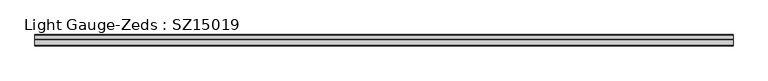
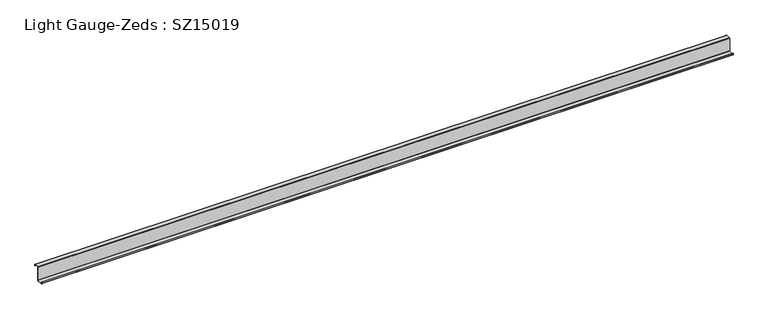
"""IFC4 building model written with IfcOpenShell, lengths in millimetres: beam geometry, Light Gauge-Zeds : SZ15019."""

from ifc_helpers import new_model, si_unit, point, frame, frame_2d, origin, place, context, project, spatial, polyline, circle_curve, trimmed, segment, composite_curve, outline, extrude, source, transform, mapped, element, save


def light_gauge_zeds_sz15019_af22bd8c(model_context):
    return source(origin(), model_context, "Body", "SweptSolid", [
        extrude(outline(composite_curve([segment(trimmed(circle_curve(frame_2d((-3.9, -72.1)), 3.9), [point((0.0, -72.1))], [point((-3.9, -76.0))], False, "CARTESIAN"), True, "CONTINUOUS"), segment(polyline([(-3.9, -76.0), (-63.6, -76.0)]), True, "CONTINUOUS"), segment(trimmed(circle_curve(frame_2d((-63.6, -72.1)), 3.9), [point((-63.6, -76.0))], [point((-67.5, -72.1))], False, "CARTESIAN"), True, "CONTINUOUS"), segment(polyline([(-67.5, -72.1), (-67.5, -57.0), (-65.6, -57.0), (-65.6, -72.1)]), True, "CONTINUOUS"), segment(trimmed(circle_curve(frame_2d((-63.6, -72.1)), 2.0), [point((-65.6, -72.1))], [point((-63.6, -74.1))], True, "CARTESIAN"), True, "CONTINUOUS"), segment(polyline([(-63.6, -74.1), (-3.9, -74.1)]), True, "CONTINUOUS"), segment(trimmed(circle_curve(frame_2d((-3.9, -72.1)), 2.0), [point((-3.9, -74.1))], [point((-1.9, -72.1))], True, "CARTESIAN"), True, "CONTINUOUS"), segment(polyline([(-1.9, -72.1), (-1.9, 72.1)]), True, "CONTINUOUS"), segment(trimmed(circle_curve(frame_2d((2.0, 72.1)), 3.9), [point((-1.9, 72.1))], [point((2.0, 76.0))], False, "CARTESIAN"), True, "CONTINUOUS"), segment(polyline([(2.0, 76.0), (46.6, 76.0)]), True, "CONTINUOUS"), segment(trimmed(circle_curve(frame_2d((46.6, 72.1)), 3.9), [point((46.6, 76.0))], [point((50.5, 72.1))], False, "CARTESIAN"), True, "CONTINUOUS"), segment(polyline([(50.5, 72.1), (50.5, 58.0), (48.6, 58.0), (48.6, 72.1)]), True, "CONTINUOUS"), segment(trimmed(circle_curve(frame_2d((46.6, 72.1)), 2.0), [point((48.6, 72.1))], [point((46.6, 74.1))], True, "CARTESIAN"), True, "CONTINUOUS"), segment(polyline([(46.6, 74.1), (2.0, 74.1)]), True, "CONTINUOUS"), segment(trimmed(circle_curve(frame_2d((2.0, 72.1)), 2.0), [point((2.0, 74.1))], [point((0.0, 72.1))], True, "CARTESIAN"), True, "CONTINUOUS"), segment(polyline([(0.0, 72.1), (0.0, -72.1)]), True, "CONTINUOUS")], self_intersect=False)), frame((-3536.5, 0.0, 0.0), z_axis=(1.0, 0.0, 0.0), x_axis=(0.0, 1.0, 0.0)), (0.0, 0.0, 1.0), 7319.0),
    ])


if __name__ == "__main__":
    model = new_model("IFC4")
    model_context = context("Model", 3, world=origin())
    ifc_project = project(units=[si_unit("LENGTHUNIT", "METRE", prefix="MILLI")], contexts=[model_context])
    site = spatial("IfcSite", under=ifc_project)
    building = spatial("IfcBuilding", under=site)
    placement = place(None, origin())
    light_gauge_zeds_sz15019_shape = light_gauge_zeds_sz15019_af22bd8c(model_context)
    element("IfcBeam", 1, ObjectType="Light Gauge-Zeds : SZ15019", at=placement, inside=building, context=model_context, shape_type="MappedRepresentation", body=[
        mapped(light_gauge_zeds_sz15019_shape, transform((0.0, 0.0, 0.0), x_axis=(1.0, 0.0, 0.0), y_axis=(0.0, 1.0, 0.0), z_axis=(0.0, 0.0, 1.0))),
    ])
    save(model, "model.ifc")
